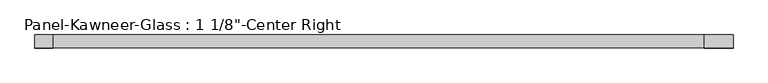
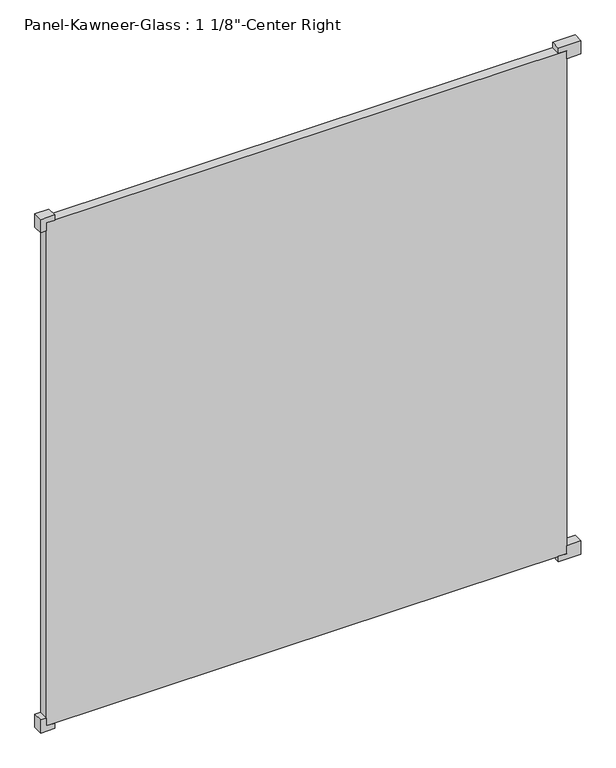
"""IFC4 building model written with IfcOpenShell, lengths in millimetres: plate geometry."""

from ifc_helpers import new_model, si_unit, frame, origin, origin_with_axes, place, context, project, spatial, polyline, outline, extrude, source, transform, mapped, element, save


def plate_ac4a9987(model_context):
    return source(origin(), model_context, "Body", "SweptSolid", [
        extrude(outline(polyline([(-15.875, 714.375), (-15.875, 777.875), (23.8125, 777.875), (23.8125, 738.1875), (0.0, 738.1875), (0.0, 714.375), (-15.875, 714.375)])), frame((0.0, -14.2210761, 0.0), z_axis=(0.0, 1.0, 0.0), x_axis=(0.0, 0.0, 1.0)), (0.0, 0.0, 1.0), 28.575),
        extrude(outline(polyline([(-15.875, -714.375), (0.0, -714.375), (0.0, -738.1875), (23.8125, -738.1875), (23.8125, -754.0625), (-15.875, -754.0625), (-15.875, -714.375)])), frame((0.0, -14.2210761, 0.0), z_axis=(0.0, 1.0, 0.0), x_axis=(0.0, 0.0, 1.0)), (0.0, 0.0, 1.0), 28.575),
        extrude(outline(polyline([(1524.0, 714.375), (1508.125, 714.375), (1508.125, 738.1875), (1484.3125, 738.1875), (1484.3125, 777.875), (1524.0, 777.875), (1524.0, 714.375)])), frame((0.0, -14.2210761, 0.0), z_axis=(0.0, 1.0, 0.0), x_axis=(0.0, 0.0, 1.0)), (0.0, 0.0, 1.0), 28.575),
        extrude(outline(polyline([(1524.0, -714.375), (1524.0, -754.0625), (1484.3125, -754.0625), (1484.3125, -738.1875), (1508.125, -738.1875), (1508.125, -714.375), (1524.0, -714.375)])), frame((0.0, -14.2210761, 0.0), z_axis=(0.0, 1.0, 0.0), x_axis=(0.0, 0.0, 1.0)), (0.0, 0.0, 1.0), 28.575),
        extrude(outline(polyline([(738.1875, 14.3539239), (738.1875, -14.2210761), (-738.1875, -14.2210761), (-738.1875, 14.3539239), (738.1875, 14.3539239)])), origin_with_axes(), (0.0, 0.0, 1.0), 1508.125),
    ])


if __name__ == "__main__":
    model = new_model("IFC4")
    model_context = context("Model", 3, world=origin())
    ifc_project = project(units=[si_unit("LENGTHUNIT", "METRE", prefix="MILLI")], contexts=[model_context])
    site = spatial("IfcSite", under=ifc_project)
    building = spatial("IfcBuilding", under=site)
    placement = place(None, origin())
    plate_shape = plate_ac4a9987(model_context)
    element("IfcPlate", 1, ObjectType="Panel-Kawneer-Glass : 1 1/8\"-Center Right", at=placement, inside=building, context=model_context, shape_type="MappedRepresentation", body=[
        mapped(plate_shape, transform((0.0, 0.0, 0.0), x_axis=(1.0, 0.0, 0.0), y_axis=(0.0, 1.0, 0.0), z_axis=(0.0, 0.0, 1.0))),
    ])
    save(model, "model.ifc")
